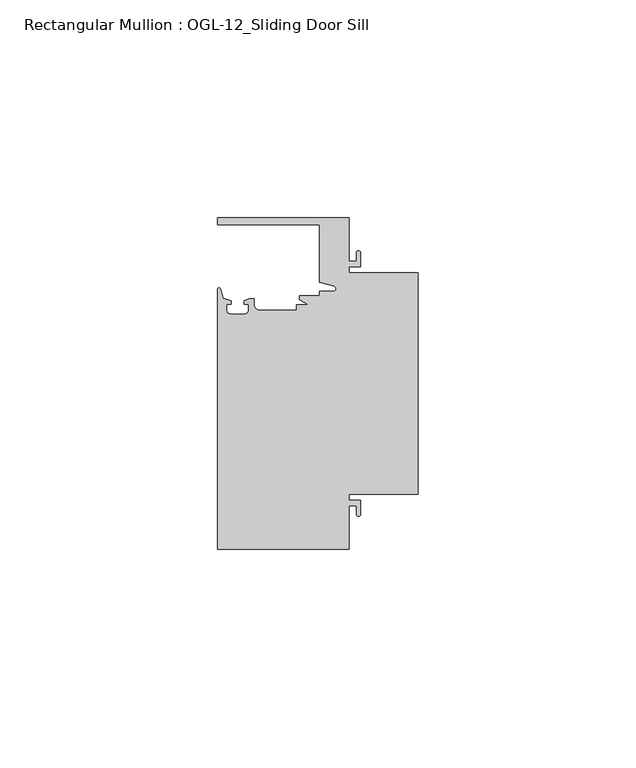
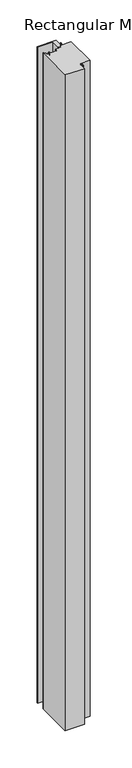
"""IFC4 building model written with IfcOpenShell, lengths in millimetres: member geometry, Rectangular Mullion : OGL-12_Sliding Door Sill."""

import ifcopenshell
import ifcopenshell.guid

model = None  # the IFC model being written
_history = None  # IfcOwnerHistory: only IFC2X3 demands one
_inside = {}  # id of a spatial element -> (the spatial element, [elements in it])
_under = {}  # id of a project, library or spatial element -> (it, [spatial elements below it])
_declared = {}  # id of a project -> (the project, [libraries it declares])
_typed = {}  # id of a type object -> (the type object, [elements of that type])
_made_of = {}  # id of a material, layer set ... -> (it, [elements and type objects made of it])


def new_model(schema):
    """Start an empty IFC model of exactly this schema.

    Asked for "IFC4X3", IfcOpenShell would pick the latest addendum, in which some entities
    have other attributes; the version numbers below select the first issue.
    IFC2X3 requires an IfcOwnerHistory on every rooted entity: one is made here for all.
    """
    global model, _history
    if schema == "IFC4X3":
        model = ifcopenshell.file(schema_version=(4, 3, 0, 0))
    else:
        model = ifcopenshell.file(schema=schema)
    _inside.clear()
    _under.clear()
    _declared.clear()
    _typed.clear()
    _made_of.clear()
    _history = None
    if model.schema == "IFC2X3":
        org = make("IfcOrganization", Name="unknown")
        user = make(
            "IfcPersonAndOrganization",
            ThePerson=make("IfcPerson", FamilyName="unknown"),
            TheOrganization=org,
        )
        app = make(
            "IfcApplication",
            ApplicationDeveloper=org,
            Version="unknown",
            ApplicationFullName="unknown",
            ApplicationIdentifier="unknown",
        )
        _history = make(
            "IfcOwnerHistory",
            OwningUser=user,
            OwningApplication=app,
            ChangeAction="ADDED",
            CreationDate=0,
        )
    return model


def make(cls, **values):
    """One entity of the class cls with the attributes given. An attribute that is None is left unset."""
    return model.create_entity(
        cls, **{name: value for name, value in values.items() if value is not None}
    )


def rooted(cls, **values):
    """An entity with a GlobalId (a new one), such as an element, a storey or a relation."""
    return make(cls, GlobalId=ifcopenshell.guid.new(), OwnerHistory=_history, **values)


def si_unit(unit_type, name, prefix=None):
    """IfcSIUnit, for example si_unit("LENGTHUNIT", "METRE", prefix="MILLI")."""
    return make("IfcSIUnit", UnitType=unit_type, Prefix=prefix, Name=name)


def assignment(units):
    """IfcUnitAssignment: the units of a project."""
    return None if units is None else make("IfcUnitAssignment", Units=units)


def point(xyz):
    """IfcCartesianPoint."""
    return None if xyz is None else make("IfcCartesianPoint", Coordinates=xyz)


def direction(xyz):
    """IfcDirection."""
    return None if xyz is None else make("IfcDirection", DirectionRatios=xyz)


def frame(location, z_axis=None, x_axis=None):
    """IfcAxis2Placement3D, a coordinate frame: its origin and axes. An axis left out is left unset."""
    return make(
        "IfcAxis2Placement3D",
        Location=point(location),
        Axis=direction(z_axis),
        RefDirection=direction(x_axis),
    )


def frame_2d(location, x_axis=None):
    """IfcAxis2Placement2D, a coordinate frame in the plane: its origin and x axis."""
    return make(
        "IfcAxis2Placement2D", Location=point(location), RefDirection=direction(x_axis)
    )


def origin():
    """The frame at (0, 0, 0) with its axes left unset."""
    return frame((0.0, 0.0, 0.0))


def place(relative_to, where):
    """IfcLocalPlacement: puts the frame where relative to a parent placement (None: the world)."""
    return make(
        "IfcLocalPlacement", PlacementRelTo=relative_to, RelativePlacement=where
    )


def context(
    kind, dimensions, precision=None, world=None, true_north=None, identifier=None
):
    """IfcGeometricRepresentationContext, for example the 3D "Model" context."""
    return make(
        "IfcGeometricRepresentationContext",
        ContextIdentifier=identifier,
        ContextType=kind,
        CoordinateSpaceDimension=dimensions,
        Precision=precision,
        WorldCoordinateSystem=world,
        TrueNorth=true_north,
    )


def project(units=None, contexts=None):
    """IfcProject with its units and contexts."""
    return rooted(
        "IfcProject",
        Name="project",
        RepresentationContexts=contexts,
        UnitsInContext=assignment(units),
    )


def spatial(cls, under=None, at=None, **own):
    """A site, building, storey or space (cls), placed at a placement, below another one or the project."""
    s = rooted(cls, ObjectPlacement=at, **own)
    if under is not None:
        _under.setdefault(under.id(), (under, []))[1].append(s)
    return s


def polyline(points):
    """IfcPolyline through the points."""
    return make("IfcPolyline", Points=[point(p) for p in points])


def circle_curve(where, radius):
    """IfcCircle in the frame where."""
    return make("IfcCircle", Position=where, Radius=radius)


def trimmed(basis, trim1, trim2, sense, master):
    """IfcTrimmedCurve: the piece of a basis curve between two trims."""
    return make(
        "IfcTrimmedCurve",
        BasisCurve=basis,
        Trim1=trim1,
        Trim2=trim2,
        SenseAgreement=sense,
        MasterRepresentation=master,
    )


def segment(curve, same_sense, transition):
    """IfcCompositeCurveSegment."""
    return make(
        "IfcCompositeCurveSegment",
        Transition=transition,
        SameSense=same_sense,
        ParentCurve=curve,
    )


def composite_curve(segments, self_intersect=None):
    """IfcCompositeCurve: segments joined end to end."""
    return make("IfcCompositeCurve", Segments=segments, SelfIntersect=self_intersect)


def outline(outer, holes=None, kind="AREA"):
    """IfcArbitraryClosedProfileDef: a profile drawn as a closed curve; with holes, ...WithVoids."""
    if holes is None:
        return make("IfcArbitraryClosedProfileDef", ProfileType=kind, OuterCurve=outer)
    return make(
        "IfcArbitraryProfileDefWithVoids",
        ProfileType=kind,
        OuterCurve=outer,
        InnerCurves=holes,
    )


def extrude(swept, where, along, depth):
    """IfcExtrudedAreaSolid: the profile swept, set in the frame where, extruded along a direction by depth."""
    return make(
        "IfcExtrudedAreaSolid",
        SweptArea=swept,
        Position=where,
        ExtrudedDirection=direction(along),
        Depth=depth,
    )


def shape(context_of_items, identifier, shape_type, items):
    """IfcShapeRepresentation: the items that make up one representation, for example the "Body"."""
    return make(
        "IfcShapeRepresentation",
        ContextOfItems=context_of_items,
        RepresentationIdentifier=identifier,
        RepresentationType=shape_type,
        Items=items,
    )


def source(mapping_origin, context_of_items, identifier, shape_type, items):
    """IfcRepresentationMap: a shape defined once, which mapped items show again and again."""
    return make(
        "IfcRepresentationMap",
        MappingOrigin=mapping_origin,
        MappedRepresentation=shape(context_of_items, identifier, shape_type, items),
    )


def transform(
    local_origin,
    x_axis=None,
    y_axis=None,
    z_axis=None,
    scale=None,
    scale2=None,
    scale3=None,
    uniform=True,
):
    """IfcCartesianTransformationOperator3D, or its non-uniform kind. x_axis, y_axis, z_axis: its Axis1, 2, 3."""
    if uniform:
        return make(
            "IfcCartesianTransformationOperator3D",
            Axis1=direction(x_axis),
            Axis2=direction(y_axis),
            LocalOrigin=point(local_origin),
            Scale=scale,
            Axis3=direction(z_axis),
        )
    return make(
        "IfcCartesianTransformationOperator3DnonUniform",
        Axis1=direction(x_axis),
        Axis2=direction(y_axis),
        LocalOrigin=point(local_origin),
        Scale=scale,
        Axis3=direction(z_axis),
        Scale2=scale2,
        Scale3=scale3,
    )


def mapped(mapping_source, mapping_target):
    """IfcMappedItem: shows the shape of a source again, moved by a transform."""
    return make(
        "IfcMappedItem", MappingSource=mapping_source, MappingTarget=mapping_target
    )


def made_of(thing, what):
    """Note that an element or type object is made of a material, layer set ...; save() writes the relation."""
    if what is not None:
        _made_of.setdefault(what.id(), (what, []))[1].append(thing)
    return thing


def element(
    cls,
    number,
    at=None,
    inside=None,
    cuts=None,
    type_object=None,
    material=None,
    context=None,
    identifier="Body",
    shape_type=None,
    held_by="IfcProductDefinitionShape",
    body=None,
    shapes=None,
    **own,
):
    """One element of the class cls, such as IfcWall. Its Tag is "e" and its number.

    at: its placement. inside: the storey or other place that contains it. cuts: it is an
    opening in that element (IfcRelVoidsElement). A single representation is given by context,
    identifier, shape_type and body (its items); several are given by shapes. held_by: the class
    of the entity that holds the representations. save() writes the other relations.
    """
    e = rooted(cls, Tag="e%d" % number, ObjectPlacement=at, **own)
    if body is not None:
        shapes = [shape(context, identifier, shape_type, body)]
    if shapes is not None:
        e.Representation = make(held_by, Representations=shapes)
    if inside is not None:
        _inside.setdefault(inside.id(), (inside, []))[1].append(e)
    if cuts is not None:
        rooted(
            "IfcRelVoidsElement", RelatingBuildingElement=cuts, RelatedOpeningElement=e
        )
    if type_object is not None:
        _typed.setdefault(type_object.id(), (type_object, []))[1].append(e)
    return made_of(e, material)


def aggregate(whole, parts):
    """IfcRelAggregates: a whole, such as a stair, and the parts it consists of."""
    return rooted("IfcRelAggregates", RelatingObject=whole, RelatedObjects=parts)


def save(model, path):
    """Write the relations noted so far, then the file.

    IfcRelAggregates (storeys below a building ...), IfcRelContainedInSpatialStructure (elements
    in a storey), IfcRelDefinesByType, IfcRelAssociatesMaterial and IfcRelDeclares: one each for
    every whole, place, type object, material and project.
    """
    for whole, parts in _under.values():
        aggregate(whole, parts)
    for where, things in _inside.values():
        rooted(
            "IfcRelContainedInSpatialStructure",
            RelatedElements=things,
            RelatingStructure=where,
        )
    for kind, things in _typed.values():
        rooted("IfcRelDefinesByType", RelatedObjects=things, RelatingType=kind)
    for what, things in _made_of.values():
        rooted("IfcRelAssociatesMaterial", RelatedObjects=things, RelatingMaterial=what)
    for by, libraries in _declared.values():
        rooted("IfcRelDeclares", RelatingContext=by, RelatedDefinitions=libraries)
    model.write(path)


def rectangular_mullion_ogl_12_sliding_door_sill_5011f8ec(model_context):
    return source(origin(), model_context, "Body", "SweptSolid", [
        extrude(outline(composite_curve([segment(polyline([(0.0, 25.4), (0.0, -25.4), (-15.934238, -25.4), (-15.934238, -26.8479425), (-13.2417195, -26.8479425), (-13.2417195, -30.0428503)]), True, "CONTINUOUS"), segment(trimmed(circle_curve(frame_2d((-13.6974747, -30.0428503)), 0.4557552), [point((-13.2417195, -30.0428503))], [point((-14.15323, -30.0428503))], False, "CARTESIAN"), True, "CONTINUOUS"), segment(polyline([(-14.15323, -30.0428503), (-14.15323, -28.0544425), (-15.934238, -28.0544425), (-15.934238, -38.1003208), (-46.0931306, -38.1003208), (-46.0931306, 21.6259141)]), True, "CONTINUOUS"), segment(trimmed(circle_curve(frame_2d((-45.7573546, 21.6259141)), 0.335776), [point((-46.0931306, 21.6259141))], [point((-45.434586, 21.7184665))], False, "CARTESIAN"), True, "CONTINUOUS"), segment(polyline([(-45.434586, 21.7184665), (-44.83413, 19.6244274), (-43.0244711, 19.0364336), (-43.0244711, 18.2246744), (-44.0028338, 18.2246744), (-44.0028338, 16.7746773)]), True, "CONTINUOUS"), segment(trimmed(circle_curve(frame_2d((-43.2028354, 16.7746773)), 0.7999984), [point((-44.0028338, 16.7746773))], [point((-43.2028354, 15.9746789))], True, "CARTESIAN"), True, "CONTINUOUS"), segment(polyline([(-43.2028354, 15.9746789), (-39.8028422, 15.9746789)]), True, "CONTINUOUS"), segment(trimmed(circle_curve(frame_2d((-39.8028422, 16.7746773)), 0.7999984), [point((-39.8028422, 15.9746789))], [point((-39.0028438, 16.7746773))], True, "CARTESIAN"), True, "CONTINUOUS"), segment(polyline([(-39.0028438, 16.7746773), (-39.0028438, 18.2246744), (-39.9812066, 18.2246744), (-39.9812066, 19.0676205), (-38.8813571, 19.4491353), (-37.7528423, 19.4819389), (-37.7528423, 18.2799969)]), True, "CONTINUOUS"), segment(trimmed(circle_curve(frame_2d((-36.3386331, 18.2778896)), 1.4142107), [point((-37.7528423, 18.2799969))], [point((-36.3386331, 16.8636789))], True, "CARTESIAN"), True, "CONTINUOUS"), segment(polyline([(-36.3386331, 16.8636789), (-27.9268052, 16.8636789), (-27.9268052, 18.1505375), (-25.1995125, 18.1505375), (-27.2970068, 19.265795), (-27.2970068, 20.2164975), (-22.6027094, 20.2164975), (-22.6027094, 21.2536528), (-19.3562398, 21.2536528)]), True, "CONTINUOUS"), segment(trimmed(circle_curve(frame_2d((-19.3562398, 21.789076)), 0.5354233), [point((-19.3562398, 21.2536528))], [point((-19.2086572, 22.3037579))], True, "CARTESIAN"), True, "CONTINUOUS"), segment(polyline([(-19.2086572, 22.3037579), (-22.6260049, 23.2836666), (-22.6260049, 36.5121792), (-46.0931306, 36.5121792), (-46.0931306, 38.0996792), (-15.934238, 38.0996792), (-15.934238, 28.0538009), (-14.15323, 28.0538009), (-14.15323, 30.0428503)]), True, "CONTINUOUS"), segment(trimmed(circle_curve(frame_2d((-13.6974747, 30.0428503)), 0.4557552), [point((-14.15323, 30.0428503))], [point((-13.2417195, 30.0428503))], False, "CARTESIAN"), True, "CONTINUOUS"), segment(polyline([(-13.2417195, 30.0428503), (-13.2417195, 26.8473009), (-15.934238, 26.8473009), (-15.934238, 25.4), (0.0, 25.4)]), True, "CONTINUOUS")], self_intersect=False)), frame((0.0, 0.0, -1079.5), z_axis=(0.0, 0.0, 1.0), x_axis=(1.0, 0.0, 0.0)), (0.0, 0.0, 1.0), 1079.5),
    ])


if __name__ == "__main__":
    model = new_model("IFC4")
    model_context = context("Model", 3, world=origin())
    ifc_project = project(units=[si_unit("LENGTHUNIT", "METRE", prefix="MILLI")], contexts=[model_context])
    site = spatial("IfcSite", under=ifc_project)
    building = spatial("IfcBuilding", under=site)
    placement = place(None, origin())
    rectangular_mullion_ogl_12_sliding_door_sill_shape = rectangular_mullion_ogl_12_sliding_door_sill_5011f8ec(model_context)
    element("IfcMember", 1, ObjectType="Rectangular Mullion : OGL-12_Sliding Door Sill", at=placement, inside=building, context=model_context, shape_type="MappedRepresentation", body=[
        mapped(rectangular_mullion_ogl_12_sliding_door_sill_shape, transform((0.0, 0.0, 0.0), x_axis=(1.0, 0.0, 0.0), y_axis=(0.0, 1.0, 0.0), z_axis=(0.0, 0.0, 1.0))),
    ])
    save(model, "model.ifc")
